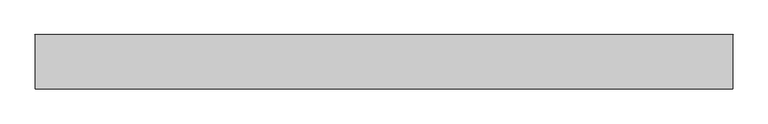
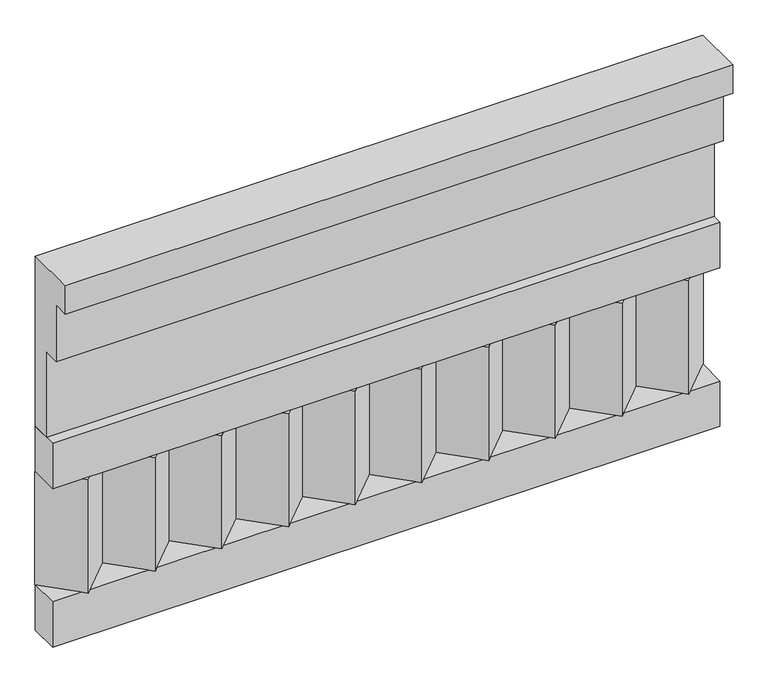
"""IFC4 building model written with IfcOpenShell, lengths in millimetres: railing geometry."""

import ifcopenshell
import ifcopenshell.guid

model = None  # the IFC model being written
_history = None  # IfcOwnerHistory: only IFC2X3 demands one
_inside = {}  # id of a spatial element -> (the spatial element, [elements in it])
_under = {}  # id of a project, library or spatial element -> (it, [spatial elements below it])
_declared = {}  # id of a project -> (the project, [libraries it declares])
_typed = {}  # id of a type object -> (the type object, [elements of that type])
_made_of = {}  # id of a material, layer set ... -> (it, [elements and type objects made of it])


def new_model(schema):
    """Start an empty IFC model of exactly this schema.

    Asked for "IFC4X3", IfcOpenShell would pick the latest addendum, in which some entities
    have other attributes; the version numbers below select the first issue.
    IFC2X3 requires an IfcOwnerHistory on every rooted entity: one is made here for all.
    """
    global model, _history
    if schema == "IFC4X3":
        model = ifcopenshell.file(schema_version=(4, 3, 0, 0))
    else:
        model = ifcopenshell.file(schema=schema)
    _inside.clear()
    _under.clear()
    _declared.clear()
    _typed.clear()
    _made_of.clear()
    _history = None
    if model.schema == "IFC2X3":
        org = make("IfcOrganization", Name="unknown")
        user = make(
            "IfcPersonAndOrganization",
            ThePerson=make("IfcPerson", FamilyName="unknown"),
            TheOrganization=org,
        )
        app = make(
            "IfcApplication",
            ApplicationDeveloper=org,
            Version="unknown",
            ApplicationFullName="unknown",
            ApplicationIdentifier="unknown",
        )
        _history = make(
            "IfcOwnerHistory",
            OwningUser=user,
            OwningApplication=app,
            ChangeAction="ADDED",
            CreationDate=0,
        )
    return model


def make(cls, **values):
    """One entity of the class cls with the attributes given. An attribute that is None is left unset."""
    return model.create_entity(
        cls, **{name: value for name, value in values.items() if value is not None}
    )


def rooted(cls, **values):
    """An entity with a GlobalId (a new one), such as an element, a storey or a relation."""
    return make(cls, GlobalId=ifcopenshell.guid.new(), OwnerHistory=_history, **values)


def si_unit(unit_type, name, prefix=None):
    """IfcSIUnit, for example si_unit("LENGTHUNIT", "METRE", prefix="MILLI")."""
    return make("IfcSIUnit", UnitType=unit_type, Prefix=prefix, Name=name)


def assignment(units):
    """IfcUnitAssignment: the units of a project."""
    return None if units is None else make("IfcUnitAssignment", Units=units)


def point(xyz):
    """IfcCartesianPoint."""
    return None if xyz is None else make("IfcCartesianPoint", Coordinates=xyz)


def direction(xyz):
    """IfcDirection."""
    return None if xyz is None else make("IfcDirection", DirectionRatios=xyz)


def frame(location, z_axis=None, x_axis=None):
    """IfcAxis2Placement3D, a coordinate frame: its origin and axes. An axis left out is left unset."""
    return make(
        "IfcAxis2Placement3D",
        Location=point(location),
        Axis=direction(z_axis),
        RefDirection=direction(x_axis),
    )


def origin():
    """The frame at (0, 0, 0) with its axes left unset."""
    return frame((0.0, 0.0, 0.0))


def place(relative_to, where):
    """IfcLocalPlacement: puts the frame where relative to a parent placement (None: the world)."""
    return make(
        "IfcLocalPlacement", PlacementRelTo=relative_to, RelativePlacement=where
    )


def context(
    kind, dimensions, precision=None, world=None, true_north=None, identifier=None
):
    """IfcGeometricRepresentationContext, for example the 3D "Model" context."""
    return make(
        "IfcGeometricRepresentationContext",
        ContextIdentifier=identifier,
        ContextType=kind,
        CoordinateSpaceDimension=dimensions,
        Precision=precision,
        WorldCoordinateSystem=world,
        TrueNorth=true_north,
    )


def project(units=None, contexts=None):
    """IfcProject with its units and contexts."""
    return rooted(
        "IfcProject",
        Name="project",
        RepresentationContexts=contexts,
        UnitsInContext=assignment(units),
    )


def spatial(cls, under=None, at=None, **own):
    """A site, building, storey or space (cls), placed at a placement, below another one or the project."""
    s = rooted(cls, ObjectPlacement=at, **own)
    if under is not None:
        _under.setdefault(under.id(), (under, []))[1].append(s)
    return s


def polyline(points):
    """IfcPolyline through the points."""
    return make("IfcPolyline", Points=[point(p) for p in points])


def outline(outer, holes=None, kind="AREA"):
    """IfcArbitraryClosedProfileDef: a profile drawn as a closed curve; with holes, ...WithVoids."""
    if holes is None:
        return make("IfcArbitraryClosedProfileDef", ProfileType=kind, OuterCurve=outer)
    return make(
        "IfcArbitraryProfileDefWithVoids",
        ProfileType=kind,
        OuterCurve=outer,
        InnerCurves=holes,
    )


def extrude(swept, where, along, depth):
    """IfcExtrudedAreaSolid: the profile swept, set in the frame where, extruded along a direction by depth."""
    return make(
        "IfcExtrudedAreaSolid",
        SweptArea=swept,
        Position=where,
        ExtrudedDirection=direction(along),
        Depth=depth,
    )


def shape(context_of_items, identifier, shape_type, items):
    """IfcShapeRepresentation: the items that make up one representation, for example the "Body"."""
    return make(
        "IfcShapeRepresentation",
        ContextOfItems=context_of_items,
        RepresentationIdentifier=identifier,
        RepresentationType=shape_type,
        Items=items,
    )


def source(mapping_origin, context_of_items, identifier, shape_type, items):
    """IfcRepresentationMap: a shape defined once, which mapped items show again and again."""
    return make(
        "IfcRepresentationMap",
        MappingOrigin=mapping_origin,
        MappedRepresentation=shape(context_of_items, identifier, shape_type, items),
    )


def transform(
    local_origin,
    x_axis=None,
    y_axis=None,
    z_axis=None,
    scale=None,
    scale2=None,
    scale3=None,
    uniform=True,
):
    """IfcCartesianTransformationOperator3D, or its non-uniform kind. x_axis, y_axis, z_axis: its Axis1, 2, 3."""
    if uniform:
        return make(
            "IfcCartesianTransformationOperator3D",
            Axis1=direction(x_axis),
            Axis2=direction(y_axis),
            LocalOrigin=point(local_origin),
            Scale=scale,
            Axis3=direction(z_axis),
        )
    return make(
        "IfcCartesianTransformationOperator3DnonUniform",
        Axis1=direction(x_axis),
        Axis2=direction(y_axis),
        LocalOrigin=point(local_origin),
        Scale=scale,
        Axis3=direction(z_axis),
        Scale2=scale2,
        Scale3=scale3,
    )


def mapped(mapping_source, mapping_target):
    """IfcMappedItem: shows the shape of a source again, moved by a transform."""
    return make(
        "IfcMappedItem", MappingSource=mapping_source, MappingTarget=mapping_target
    )


def made_of(thing, what):
    """Note that an element or type object is made of a material, layer set ...; save() writes the relation."""
    if what is not None:
        _made_of.setdefault(what.id(), (what, []))[1].append(thing)
    return thing


def element(
    cls,
    number,
    at=None,
    inside=None,
    cuts=None,
    type_object=None,
    material=None,
    context=None,
    identifier="Body",
    shape_type=None,
    held_by="IfcProductDefinitionShape",
    body=None,
    shapes=None,
    **own,
):
    """One element of the class cls, such as IfcWall. Its Tag is "e" and its number.

    at: its placement. inside: the storey or other place that contains it. cuts: it is an
    opening in that element (IfcRelVoidsElement). A single representation is given by context,
    identifier, shape_type and body (its items); several are given by shapes. held_by: the class
    of the entity that holds the representations. save() writes the other relations.
    """
    e = rooted(cls, Tag="e%d" % number, ObjectPlacement=at, **own)
    if body is not None:
        shapes = [shape(context, identifier, shape_type, body)]
    if shapes is not None:
        e.Representation = make(held_by, Representations=shapes)
    if inside is not None:
        _inside.setdefault(inside.id(), (inside, []))[1].append(e)
    if cuts is not None:
        rooted(
            "IfcRelVoidsElement", RelatingBuildingElement=cuts, RelatedOpeningElement=e
        )
    if type_object is not None:
        _typed.setdefault(type_object.id(), (type_object, []))[1].append(e)
    return made_of(e, material)


def aggregate(whole, parts):
    """IfcRelAggregates: a whole, such as a stair, and the parts it consists of."""
    return rooted("IfcRelAggregates", RelatingObject=whole, RelatedObjects=parts)


def save(model, path):
    """Write the relations noted so far, then the file.

    IfcRelAggregates (storeys below a building ...), IfcRelContainedInSpatialStructure (elements
    in a storey), IfcRelDefinesByType, IfcRelAssociatesMaterial and IfcRelDeclares: one each for
    every whole, place, type object, material and project.
    """
    for whole, parts in _under.values():
        aggregate(whole, parts)
    for where, things in _inside.values():
        rooted(
            "IfcRelContainedInSpatialStructure",
            RelatedElements=things,
            RelatingStructure=where,
        )
    for kind, things in _typed.values():
        rooted("IfcRelDefinesByType", RelatedObjects=things, RelatingType=kind)
    for what, things in _made_of.values():
        rooted("IfcRelAssociatesMaterial", RelatedObjects=things, RelatingMaterial=what)
    for by, libraries in _declared.values():
        rooted("IfcRelDeclares", RelatingContext=by, RelatedDefinitions=libraries)
    model.write(path)


def railing_c57ce395(model_context):
    return source(origin(), model_context, "Body", "SweptSolid", [
        extrude(outline(polyline([(-16816.8920513, 15200.0), (-16816.8920513, 14750.0), (-16866.8920513, 14750.0), (-16866.8920513, 14975.0), (-16906.8920513, 14975.0), (-16906.8920513, 15125.0), (-16946.8920513, 15125.0), (-16946.8920513, 15200.0), (-16816.8920513, 15200.0)])), frame((5490.0112841, 0.0, 0.0), z_axis=(1.0, 0.0, 0.0), x_axis=(0.0, 1.0, 0.0)), (0.0, 0.0, 1.0), 1670.0),
        extrude(outline(polyline([(5490.0112841, -16891.8920513), (5490.0112841, -16816.8920513), (7160.0112841, -16816.8920513), (7160.0112841, -16891.8920513), (5490.0112841, -16891.8920513)])), frame((0.0, 0.0, 14630.0), z_axis=(0.0, 0.0, 1.0), x_axis=(1.0, 0.0, 0.0)), (0.0, 0.0, 1.0), 120.0),
        extrude(outline(polyline([(5490.0112841, -16891.8920513), (5490.0112841, -16816.8920513), (7160.0112841, -16816.8920513), (7160.0112841, -16891.8920513), (5490.0112841, -16891.8920513)])), frame((0.0, 0.0, 14210.0), z_axis=(0.0, 0.0, 1.0), x_axis=(1.0, 0.0, 0.0)), (0.0, 0.0, 1.0), 120.0),
        extrude(outline(polyline([(7076.5112841, -16901.7448651), (6991.6584704, -16816.8920513), (7161.3640978, -16816.8920513), (7076.5112841, -16901.7448651)])), frame((0.0, 0.0, 14330.0), z_axis=(0.0, 0.0, 1.0), x_axis=(1.0, 0.0, 0.0)), (0.0, 0.0, 1.0), 300.0),
        extrude(outline(polyline([(6909.5112841, -16901.7448651), (6824.6584704, -16816.8920513), (6994.3640978, -16816.8920513), (6909.5112841, -16901.7448651)])), frame((0.0, 0.0, 14330.0), z_axis=(0.0, 0.0, 1.0), x_axis=(1.0, 0.0, 0.0)), (0.0, 0.0, 1.0), 300.0),
        extrude(outline(polyline([(6742.5112841, -16901.7448651), (6657.6584704, -16816.8920513), (6827.3640978, -16816.8920513), (6742.5112841, -16901.7448651)])), frame((0.0, 0.0, 14330.0), z_axis=(0.0, 0.0, 1.0), x_axis=(1.0, 0.0, 0.0)), (0.0, 0.0, 1.0), 300.0),
        extrude(outline(polyline([(6575.5112841, -16901.7448651), (6490.6584704, -16816.8920513), (6660.3640978, -16816.8920513), (6575.5112841, -16901.7448651)])), frame((0.0, 0.0, 14330.0), z_axis=(0.0, 0.0, 1.0), x_axis=(1.0, 0.0, 0.0)), (0.0, 0.0, 1.0), 300.0),
        extrude(outline(polyline([(6408.5112841, -16901.7448651), (6323.6584704, -16816.8920513), (6493.3640978, -16816.8920513), (6408.5112841, -16901.7448651)])), frame((0.0, 0.0, 14330.0), z_axis=(0.0, 0.0, 1.0), x_axis=(1.0, 0.0, 0.0)), (0.0, 0.0, 1.0), 300.0),
        extrude(outline(polyline([(6241.5112841, -16901.7448651), (6156.6584704, -16816.8920513), (6326.3640978, -16816.8920513), (6241.5112841, -16901.7448651)])), frame((0.0, 0.0, 14330.0), z_axis=(0.0, 0.0, 1.0), x_axis=(1.0, 0.0, 0.0)), (0.0, 0.0, 1.0), 300.0),
        extrude(outline(polyline([(6074.5112841, -16901.7448651), (5989.6584704, -16816.8920513), (6159.3640978, -16816.8920513), (6074.5112841, -16901.7448651)])), frame((0.0, 0.0, 14330.0), z_axis=(0.0, 0.0, 1.0), x_axis=(1.0, 0.0, 0.0)), (0.0, 0.0, 1.0), 300.0),
        extrude(outline(polyline([(5907.5112841, -16901.7448651), (5822.6584704, -16816.8920513), (5992.3640978, -16816.8920513), (5907.5112841, -16901.7448651)])), frame((0.0, 0.0, 14330.0), z_axis=(0.0, 0.0, 1.0), x_axis=(1.0, 0.0, 0.0)), (0.0, 0.0, 1.0), 300.0),
        extrude(outline(polyline([(5740.5112841, -16901.7448651), (5655.6584704, -16816.8920513), (5825.3640978, -16816.8920513), (5740.5112841, -16901.7448651)])), frame((0.0, 0.0, 14330.0), z_axis=(0.0, 0.0, 1.0), x_axis=(1.0, 0.0, 0.0)), (0.0, 0.0, 1.0), 300.0),
        extrude(outline(polyline([(5573.5112841, -16901.7448651), (5488.6584704, -16816.8920513), (5658.3640978, -16816.8920513), (5573.5112841, -16901.7448651)])), frame((0.0, 0.0, 14330.0), z_axis=(0.0, 0.0, 1.0), x_axis=(1.0, 0.0, 0.0)), (0.0, 0.0, 1.0), 300.0),
    ])


if __name__ == "__main__":
    model = new_model("IFC4")
    model_context = context("Model", 3, world=origin())
    ifc_project = project(units=[si_unit("LENGTHUNIT", "METRE", prefix="MILLI")], contexts=[model_context])
    site = spatial("IfcSite", under=ifc_project)
    building = spatial("IfcBuilding", under=site)
    placement = place(None, origin())
    railing_shape = railing_c57ce395(model_context)
    element("IfcRailing", 1, at=placement, inside=building, context=model_context, shape_type="MappedRepresentation", body=[
        mapped(railing_shape, transform((0.0, 0.0, 0.0), x_axis=(1.0, 0.0, 0.0), y_axis=(0.0, 1.0, 0.0), z_axis=(0.0, 0.0, 1.0))),
    ])
    save(model, "model.ifc")
